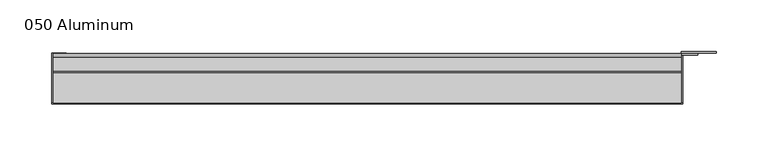
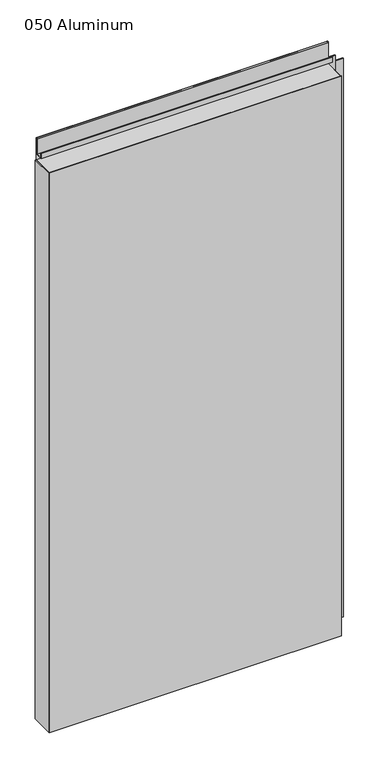
"""IFC4 building model written with IfcOpenShell, lengths in millimetres: plate geometry, 050 Aluminum."""

from ifc_helpers import new_model, si_unit, point, frame, frame_2d, origin, origin_with_axes, place, context, project, spatial, polyline, circle_curve, trimmed, segment, composite_curve, outline, extrude, source, transform, mapped, element, save


def plate_050_aluminum_8e264a56(model_context):
    return source(origin(), model_context, "Body", "SweptSolid", [
        extrude(outline(polyline([(-309.88, -2.5660257), (-309.88, -49.5300001), (-311.1499999, -49.5300001), (-311.1499999, -1.2699999), (-296.9894994, -1.2699999), (-296.9894994, -2.5660257), (-309.88, -2.5660257)])), origin_with_axes(), (0.0, 0.0, 1.0), 1230.63),
        extrude(outline(composite_curve([segment(polyline([(-16.6765477, 13.1458337), (-16.6765477, 2.786437), (-17.9464915, 2.786437), (-17.9464915, 13.1323356)]), True, "CONTINUOUS"), segment(trimmed(circle_curve(frame_2d((-19.8514743, 13.124237)), 1.905), [point((-17.9464915, 13.1323356))], [point((-21.7564743, 13.124237))], True, "CARTESIAN"), True, "CONTINUOUS"), segment(polyline([(-21.7564743, 13.124237), (-21.7564743, 0.0), (-49.5300002, 0.0), (-49.5300002, 1.2693678), (-23.0264743, 1.2693678), (-23.0264743, 13.124237)]), True, "CONTINUOUS"), segment(trimmed(circle_curve(frame_2d((-19.8514743, 13.124237)), 3.175), [point((-23.0264743, 13.124237))], [point((-16.6765477, 13.1458337))], False, "CARTESIAN"), True, "CONTINUOUS")], self_intersect=False)), frame((-309.88, 0.0, 0.0), z_axis=(1.0, 0.0, 0.0), x_axis=(0.0, 1.0, 0.0)), (0.0, 0.0, 1.0), 607.06),
        extrude(outline(composite_curve([segment(polyline([(-2.0574743, 1279.0932001), (-2.0574743, 1230.63), (-49.5300002, 1230.63), (-49.5300002, 1231.9000001), (-3.3274743, 1231.9000001), (-3.3274743, 1279.0932001)]), True, "CONTINUOUS"), segment(trimmed(circle_curve(frame_2d((-3.7084742, 1279.0932001)), 0.3809999), [point((-3.3274743, 1279.0932001))], [point((-4.0894742, 1279.0932001))], True, "CARTESIAN"), True, "CONTINUOUS"), segment(polyline([(-4.0894742, 1279.0932001), (-4.0894742, 1244.6), (-20.4864742, 1244.6), (-20.4864742, 1255.9538), (-19.2164743, 1255.9538), (-19.2164743, 1245.87), (-5.3594742, 1245.87), (-5.3594742, 1279.0932001)]), True, "CONTINUOUS"), segment(trimmed(circle_curve(frame_2d((-3.7084742, 1279.0932001)), 1.6509999), [point((-5.3594742, 1279.0932001))], [point((-2.0574743, 1279.0932001))], False, "CARTESIAN"), True, "CONTINUOUS")], self_intersect=False)), frame((-309.88, 0.0, 0.0), z_axis=(1.0, 0.0, 0.0), x_axis=(0.0, 1.0, 0.0)), (0.0, 0.0, 1.0), 607.06),
        extrude(outline(polyline([(-311.15, -50.8), (-311.15, -49.5300001), (298.45, -49.5300001), (298.45, -50.8), (-311.15, -50.8)])), origin_with_axes(), (0.0, 0.0, 1.0), 1231.9),
        extrude(outline(polyline([(298.45, -1.2699999), (298.45, -49.5300002), (297.1800001, -49.5300002), (297.1800001, 0.0), (330.9620856, 0.0), (330.9620856, -1.2699999), (298.45, -1.2699999)])), origin_with_axes(), (0.0, 0.0, 1.0), 1230.63),
        extrude(outline(polyline([(297.18, -3.3274743), (297.18, -2.0574743), (312.9279999, -2.0574743), (312.9279999, -3.3274743), (297.18, -3.3274743)])), origin_with_axes(), (0.0, 0.0, 1.0), 1244.6),
    ])


if __name__ == "__main__":
    model = new_model("IFC4")
    model_context = context("Model", 3, world=origin())
    ifc_project = project(units=[si_unit("LENGTHUNIT", "METRE", prefix="MILLI")], contexts=[model_context])
    site = spatial("IfcSite", under=ifc_project)
    building = spatial("IfcBuilding", under=site)
    placement = place(None, origin())
    plate_050_aluminum_shape = plate_050_aluminum_8e264a56(model_context)
    element("IfcPlate", 1, ObjectType="050 Aluminum", at=placement, inside=building, context=model_context, shape_type="MappedRepresentation", body=[
        mapped(plate_050_aluminum_shape, transform((0.0, 0.0, 0.0), x_axis=(1.0, 0.0, 0.0), y_axis=(0.0, 1.0, 0.0), z_axis=(0.0, 0.0, 1.0))),
    ])
    save(model, "model.ifc")
